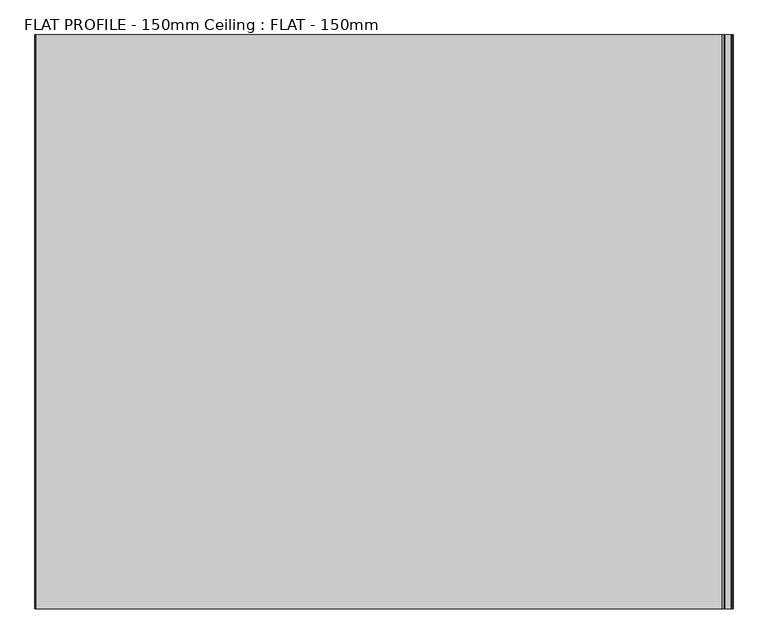
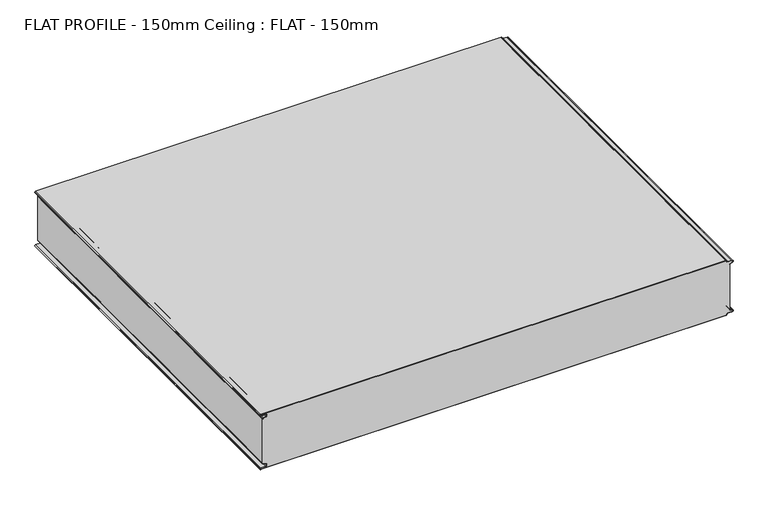
"""IFC4 building model written with IfcOpenShell, lengths in millimetres: proxy geometry, FLAT PROFILE - 150mm Ceiling : FLAT - 150mm."""

from ifc_helpers import new_model, si_unit, point, frame, frame_2d, origin, place, context, project, spatial, polyline, circle_curve, trimmed, segment, composite_curve, outline, extrude, source, transform, mapped, element, save


def flat_profile_150mm_ceiling_flat_150mm_c84099a6(model_context):
    return source(origin(), model_context, "Body", "SweptSolid", [
        extrude(outline(composite_curve([segment(polyline([(2438.8871049, -591.3794419), (2438.0861162, -589.3904999), (2436.0875592, -583.8995097)]), True, "CONTINUOUS"), segment(trimmed(circle_curve(frame_2d((2432.6623524, -585.2882153)), 3.6960175), [point((2436.0875592, -583.8995097))], [point((2428.9839912, -584.9273771))], True, "CARTESIAN"), True, "CONTINUOUS"), segment(polyline([(2428.9839912, -584.9273771), (2428.9839912, -597.3733883)]), True, "CONTINUOUS"), segment(trimmed(circle_curve(frame_2d((2427.4887038, -597.4921978)), 1.5), [point((2428.9839912, -597.3733883))], [point((2426.0, -597.3084562))], False, "CARTESIAN"), True, "CONTINUOUS"), segment(polyline([(2426.0, -597.3084562), (2426.0, 596.902372)]), True, "CONTINUOUS"), segment(trimmed(circle_curve(frame_2d((2427.5073559, 596.9047345)), 1.5073578), [point((2426.0, 596.902372))], [point((2427.5460681, 598.4115951))], False, "CARTESIAN"), True, "CONTINUOUS"), segment(trimmed(circle_curve(frame_2d((2427.5, 601.9112919)), 3.5), [point((2427.5460681, 598.4115951))], [point((2431.0, 601.9112919))], True, "CARTESIAN"), True, "CONTINUOUS"), segment(polyline([(2431.0, 601.9112919), (2431.0, 612.3116271)]), True, "CONTINUOUS"), segment(trimmed(circle_curve(frame_2d((2433.1, 612.3116271)), 2.1), [point((2431.0, 612.3116271))], [point((2435.068303, 613.0435993))], False, "CARTESIAN"), True, "CONTINUOUS"), segment(polyline([(2435.068303, 613.0435993), (2435.8937017, 610.7828028), (2437.0845863, 607.8546835)]), True, "CONTINUOUS"), segment(trimmed(circle_curve(frame_2d((2439.7531065, 608.9399875)), 2.8807786), [point((2437.0845863, 607.8546835))], [point((2439.5249279, 606.0682599))], True, "CARTESIAN"), True, "CONTINUOUS"), segment(polyline([(2439.5249279, 606.0682599), (2440.7477786, 606.0107004), (2440.7477786, 607.0118076), (2559.2522214, 607.0118076), (2559.2522214, 606.0107004), (2560.4750721, 606.0682599)]), True, "CONTINUOUS"), segment(trimmed(circle_curve(frame_2d((2560.2468935, 608.9399875)), 2.8807786), [point((2560.4750721, 606.0682599))], [point((2562.9154137, 607.8546835))], True, "CARTESIAN"), True, "CONTINUOUS"), segment(polyline([(2562.9154137, 607.8546835), (2564.1062983, 610.7828028), (2564.931697, 613.0435993)]), True, "CONTINUOUS"), segment(trimmed(circle_curve(frame_2d((2566.9, 612.3116271)), 2.1), [point((2564.931697, 613.0435993))], [point((2569.0, 612.3116271))], False, "CARTESIAN"), True, "CONTINUOUS"), segment(polyline([(2569.0, 612.3116271), (2569.0, 601.9112919)]), True, "CONTINUOUS"), segment(trimmed(circle_curve(frame_2d((2572.5, 601.9112919)), 3.5), [point((2569.0, 601.9112919))], [point((2572.4539319, 598.4115951))], True, "CARTESIAN"), True, "CONTINUOUS"), segment(trimmed(circle_curve(frame_2d((2572.4926441, 596.9047345)), 1.5073578), [point((2572.4539319, 598.4115951))], [point((2574.0, 596.902372))], False, "CARTESIAN"), True, "CONTINUOUS"), segment(polyline([(2574.0, 596.902372), (2574.0, -597.3084562)]), True, "CONTINUOUS"), segment(trimmed(circle_curve(frame_2d((2572.5112962, -597.4921978)), 1.5), [point((2574.0, -597.3084562))], [point((2571.0160088, -597.3733883))], False, "CARTESIAN"), True, "CONTINUOUS"), segment(polyline([(2571.0160088, -597.3733883), (2571.0160088, -584.9273771)]), True, "CONTINUOUS"), segment(trimmed(circle_curve(frame_2d((2567.3376476, -585.2882153)), 3.6960175), [point((2571.0160088, -584.9273771))], [point((2563.9124408, -583.8995097))], True, "CARTESIAN"), True, "CONTINUOUS"), segment(polyline([(2563.9124408, -583.8995097), (2561.9138838, -589.3904999), (2561.1128951, -591.3794419)]), True, "CONTINUOUS"), segment(trimmed(circle_curve(frame_2d((2560.1831925, -591.0050311)), 1.0022625), [point((2561.1128951, -591.3794419))], [point((2560.3779338, -591.9881924))], False, "CARTESIAN"), True, "CONTINUOUS"), segment(polyline([(2560.3779338, -591.9881924), (2559.2522232, -591.9881924), (2559.2522232, -592.9881924), (2440.7477805, -592.9881924), (2440.7477805, -591.9881924), (2439.6220662, -591.9881924)]), True, "CONTINUOUS"), segment(trimmed(circle_curve(frame_2d((2439.8168075, -591.0050311)), 1.0022625), [point((2439.6220662, -591.9881924))], [point((2438.8871049, -591.3794419))], False, "CARTESIAN"), True, "CONTINUOUS")], self_intersect=False)), frame((0.0, 1500.0000019, 0.0), z_axis=(0.0, 1.0, 0.0), x_axis=(0.0, 0.0, 1.0)), (0.0, 0.0, 1.0), 1000.0),
        extrude(outline(composite_curve([segment(trimmed(circle_curve(frame_2d((2439.8168075, -591.0050311)), 1.0022625), [point((2438.8871049, -591.3794419))], [point((2439.6220662, -591.9881924))], True, "CARTESIAN"), True, "CONTINUOUS"), segment(polyline([(2439.6220662, -591.9881924), (2440.7477805, -591.9881924), (2440.7477805, -592.9881924), (2439.5408967, -592.9881924)]), True, "CONTINUOUS"), segment(trimmed(circle_curve(frame_2d((2439.8168075, -591.0050311)), 2.0022625), [point((2439.5408967, -592.9881924))], [point((2437.9595011, -591.7530074))], False, "CARTESIAN"), True, "CONTINUOUS"), segment(polyline([(2437.9595011, -591.7530074), (2437.1522016, -589.7483949), (2435.1545303, -584.2598383)]), True, "CONTINUOUS"), segment(trimmed(circle_curve(frame_2d((2432.6623524, -585.2882153)), 2.6960175), [point((2435.1545303, -584.2598383))], [point((2429.9839912, -584.9801705))], True, "CARTESIAN"), True, "CONTINUOUS"), segment(polyline([(2429.9839912, -584.9801705), (2429.9839912, -597.3387672)]), True, "CONTINUOUS"), segment(trimmed(circle_curve(frame_2d((2427.4887038, -597.4921978)), 2.5), [point((2429.9839912, -597.3387672))], [point((2425.0, -597.2548091))], False, "CARTESIAN"), True, "CONTINUOUS"), segment(polyline([(2425.0, -597.2548091), (2425.0, 596.9016875)]), True, "CONTINUOUS"), segment(trimmed(circle_curve(frame_2d((2427.5073559, 596.9047345)), 2.5073578), [point((2425.0, 596.9016875))], [point((2427.5482843, 599.4117582))], False, "CARTESIAN"), True, "CONTINUOUS"), segment(trimmed(circle_curve(frame_2d((2427.5, 601.9112919)), 2.5), [point((2427.5482843, 599.4117582))], [point((2430.0, 601.9112919))], True, "CARTESIAN"), True, "CONTINUOUS"), segment(polyline([(2430.0, 601.9112919), (2430.0, 612.3116271)]), True, "CONTINUOUS"), segment(trimmed(circle_curve(frame_2d((2433.1, 612.3116271)), 3.1), [point((2430.0, 612.3116271))], [point((2436.0067312, 613.3890842))], False, "CARTESIAN"), True, "CONTINUOUS"), segment(polyline([(2436.0067312, 613.3890842), (2436.826844, 611.1427659), (2437.945075, 608.2411829)]), True, "CONTINUOUS"), segment(trimmed(circle_curve(frame_2d((2439.8407353, 609.0514567)), 2.0615701), [point((2437.945075, 608.2411829))], [point((2439.5408967, 607.0118076))], True, "CARTESIAN"), True, "CONTINUOUS"), segment(polyline([(2439.5408967, 607.0118076), (2440.7477786, 607.0118076), (2440.7477786, 606.0107004), (2439.5249279, 606.0682599)]), True, "CONTINUOUS"), segment(trimmed(circle_curve(frame_2d((2439.7531065, 608.9399875)), 2.8807786), [point((2439.5249279, 606.0682599))], [point((2437.0845863, 607.8546835))], False, "CARTESIAN"), True, "CONTINUOUS"), segment(polyline([(2437.0845863, 607.8546835), (2435.8937017, 610.7828028), (2435.068303, 613.0435993)]), True, "CONTINUOUS"), segment(trimmed(circle_curve(frame_2d((2433.1, 612.3116271)), 2.1), [point((2435.068303, 613.0435993))], [point((2431.0, 612.3116271))], True, "CARTESIAN"), True, "CONTINUOUS"), segment(polyline([(2431.0, 612.3116271), (2431.0, 601.9112919)]), True, "CONTINUOUS"), segment(trimmed(circle_curve(frame_2d((2427.5, 601.9112919)), 3.5), [point((2431.0, 601.9112919))], [point((2427.5460681, 598.4115951))], False, "CARTESIAN"), True, "CONTINUOUS"), segment(trimmed(circle_curve(frame_2d((2427.5073559, 596.9047345)), 1.5073578), [point((2427.5460681, 598.4115951))], [point((2426.0, 596.902372))], True, "CARTESIAN"), True, "CONTINUOUS"), segment(polyline([(2426.0, 596.902372), (2426.0, -597.3084562)]), True, "CONTINUOUS"), segment(trimmed(circle_curve(frame_2d((2427.4887038, -597.4921978)), 1.5), [point((2426.0, -597.3084562))], [point((2428.9839912, -597.3733883))], True, "CARTESIAN"), True, "CONTINUOUS"), segment(polyline([(2428.9839912, -597.3733883), (2428.9839912, -584.9273771)]), True, "CONTINUOUS"), segment(trimmed(circle_curve(frame_2d((2432.6623524, -585.2882153)), 3.6960175), [point((2428.9839912, -584.9273771))], [point((2436.0875592, -583.8995097))], False, "CARTESIAN"), True, "CONTINUOUS"), segment(polyline([(2436.0875592, -583.8995097), (2438.0861162, -589.3904999), (2438.8871049, -591.3794419)]), True, "CONTINUOUS")], self_intersect=False)), frame((0.0, 1500.0000019, 0.0), z_axis=(0.0, 1.0, 0.0), x_axis=(0.0, 0.0, 1.0)), (0.0, 0.0, 1.0), 1000.0),
        extrude(outline(composite_curve([segment(polyline([(2561.1128951, -591.3794419), (2561.9138838, -589.3904999), (2563.9124408, -583.8995097)]), True, "CONTINUOUS"), segment(trimmed(circle_curve(frame_2d((2567.3376476, -585.2882153)), 3.6960175), [point((2563.9124408, -583.8995097))], [point((2571.0160088, -584.9273771))], False, "CARTESIAN"), True, "CONTINUOUS"), segment(polyline([(2571.0160088, -584.9273771), (2571.0160088, -597.3733883)]), True, "CONTINUOUS"), segment(trimmed(circle_curve(frame_2d((2572.5112962, -597.4921978)), 1.5), [point((2571.0160088, -597.3733883))], [point((2574.0, -597.3084562))], True, "CARTESIAN"), True, "CONTINUOUS"), segment(polyline([(2574.0, -597.3084562), (2574.0, 596.902372)]), True, "CONTINUOUS"), segment(trimmed(circle_curve(frame_2d((2572.4926441, 596.9047345)), 1.5073578), [point((2574.0, 596.902372))], [point((2572.4539319, 598.4115951))], True, "CARTESIAN"), True, "CONTINUOUS"), segment(trimmed(circle_curve(frame_2d((2572.5, 601.9112919)), 3.5), [point((2572.4539319, 598.4115951))], [point((2569.0, 601.9112919))], False, "CARTESIAN"), True, "CONTINUOUS"), segment(polyline([(2569.0, 601.9112919), (2569.0, 612.3116271)]), True, "CONTINUOUS"), segment(trimmed(circle_curve(frame_2d((2566.9, 612.3116271)), 2.1), [point((2569.0, 612.3116271))], [point((2564.931697, 613.0435993))], True, "CARTESIAN"), True, "CONTINUOUS"), segment(polyline([(2564.931697, 613.0435993), (2564.1062983, 610.7828028), (2562.9154137, 607.8546835)]), True, "CONTINUOUS"), segment(trimmed(circle_curve(frame_2d((2560.2468935, 608.9399875)), 2.8807786), [point((2562.9154137, 607.8546835))], [point((2560.4750721, 606.0682599))], False, "CARTESIAN"), True, "CONTINUOUS"), segment(polyline([(2560.4750721, 606.0682599), (2559.2522214, 606.0107004), (2559.2522214, 607.0118076), (2560.4591033, 607.0118076)]), True, "CONTINUOUS"), segment(trimmed(circle_curve(frame_2d((2560.1592647, 609.0514567)), 2.0615701), [point((2560.4591033, 607.0118076))], [point((2562.054925, 608.2411829))], True, "CARTESIAN"), True, "CONTINUOUS"), segment(polyline([(2562.054925, 608.2411829), (2563.173156, 611.1427659), (2563.9932688, 613.3890842)]), True, "CONTINUOUS"), segment(trimmed(circle_curve(frame_2d((2566.9, 612.3116271)), 3.1), [point((2563.9932688, 613.3890842))], [point((2570.0, 612.3116271))], False, "CARTESIAN"), True, "CONTINUOUS"), segment(polyline([(2570.0, 612.3116271), (2570.0, 601.9112919)]), True, "CONTINUOUS"), segment(trimmed(circle_curve(frame_2d((2572.5, 601.9112919)), 2.5), [point((2570.0, 601.9112919))], [point((2572.4517157, 599.4117582))], True, "CARTESIAN"), True, "CONTINUOUS"), segment(trimmed(circle_curve(frame_2d((2572.4926441, 596.9047345)), 2.5073578), [point((2572.4517157, 599.4117582))], [point((2575.0, 596.9016875))], False, "CARTESIAN"), True, "CONTINUOUS"), segment(polyline([(2575.0, 596.9016875), (2575.0, -597.2548091)]), True, "CONTINUOUS"), segment(trimmed(circle_curve(frame_2d((2572.5112962, -597.4921978)), 2.5), [point((2575.0, -597.2548091))], [point((2570.0160088, -597.3387672))], False, "CARTESIAN"), True, "CONTINUOUS"), segment(polyline([(2570.0160088, -597.3387672), (2570.0160088, -584.9801705)]), True, "CONTINUOUS"), segment(trimmed(circle_curve(frame_2d((2567.3376476, -585.2882153)), 2.6960175), [point((2570.0160088, -584.9801705))], [point((2564.8454697, -584.2598383))], True, "CARTESIAN"), True, "CONTINUOUS"), segment(polyline([(2564.8454697, -584.2598383), (2562.8477984, -589.7483949), (2562.0404989, -591.7530074)]), True, "CONTINUOUS"), segment(trimmed(circle_curve(frame_2d((2560.1831925, -591.0050311)), 2.0022625), [point((2562.0404989, -591.7530074))], [point((2560.4591033, -592.9881924))], False, "CARTESIAN"), True, "CONTINUOUS"), segment(polyline([(2560.4591033, -592.9881924), (2559.2522195, -592.9881924), (2559.2522195, -591.9881924), (2560.3779338, -591.9881924)]), True, "CONTINUOUS"), segment(trimmed(circle_curve(frame_2d((2560.1831925, -591.0050311)), 1.0022625), [point((2560.3779338, -591.9881924))], [point((2561.1128951, -591.3794419))], True, "CARTESIAN"), True, "CONTINUOUS")], self_intersect=False)), frame((0.0, 1500.0000019, 0.0), z_axis=(0.0, 1.0, 0.0), x_axis=(0.0, 0.0, 1.0)), (0.0, 0.0, 1.0), 1000.0),
    ])


if __name__ == "__main__":
    model = new_model("IFC4")
    model_context = context("Model", 3, world=origin())
    ifc_project = project(units=[si_unit("LENGTHUNIT", "METRE", prefix="MILLI")], contexts=[model_context])
    site = spatial("IfcSite", under=ifc_project)
    building = spatial("IfcBuilding", under=site)
    placement = place(None, origin())
    flat_profile_150mm_ceiling_flat_150mm_shape = flat_profile_150mm_ceiling_flat_150mm_c84099a6(model_context)
    element("IfcBuildingElementProxy", 1, Name="FLAT PROFILE - 150mm Ceiling : FLAT - 150mm", ObjectType="FLAT PROFILE - 150mm Ceiling : FLAT - 150mm", at=placement, inside=building, context=model_context, shape_type="MappedRepresentation", body=[
        mapped(flat_profile_150mm_ceiling_flat_150mm_shape, transform((0.0, 0.0, 0.0), x_axis=(1.0, 0.0, 0.0), y_axis=(0.0, 1.0, 0.0), z_axis=(0.0, 0.0, 1.0))),
    ])
    save(model, "model.ifc")
